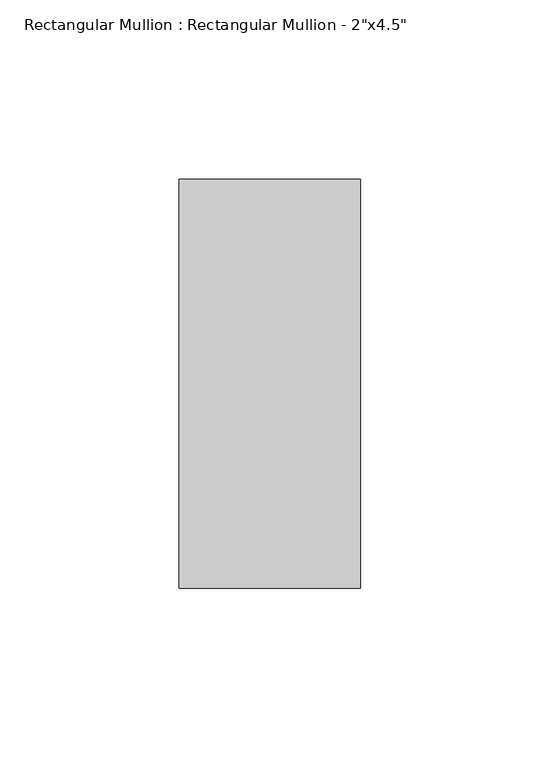
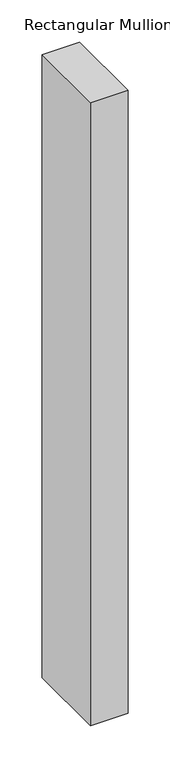
"""IFC4 building model written with IfcOpenShell, lengths in millimetres: member geometry."""

from ifc_helpers import new_model, si_unit, frame, origin, place, context, project, spatial, polyline, outline, extrude, source, transform, mapped, element, save


def member_23f1de92(model_context):
    return source(origin(), model_context, "Body", "SweptSolid", [
        extrude(outline(polyline([(0.0, 57.15), (0.0, -57.15), (-50.8, -57.15), (-50.8, 57.15), (0.0, 57.15)])), frame((0.0, 0.0, -897.4666667), z_axis=(0.0, 0.0, 1.0), x_axis=(1.0, 0.0, 0.0)), (0.0, 0.0, 1.0), 897.4666667),
    ])


if __name__ == "__main__":
    model = new_model("IFC4")
    model_context = context("Model", 3, world=origin())
    ifc_project = project(units=[si_unit("LENGTHUNIT", "METRE", prefix="MILLI")], contexts=[model_context])
    site = spatial("IfcSite", under=ifc_project)
    building = spatial("IfcBuilding", under=site)
    placement = place(None, origin())
    member_shape = member_23f1de92(model_context)
    element("IfcMember", 1, ObjectType="Rectangular Mullion : Rectangular Mullion - 2\"x4.5\"", at=placement, inside=building, context=model_context, shape_type="MappedRepresentation", body=[
        mapped(member_shape, transform((0.0, 0.0, 0.0), x_axis=(1.0, 0.0, 0.0), y_axis=(0.0, 1.0, 0.0), z_axis=(0.0, 0.0, 1.0))),
    ])
    save(model, "model.ifc")
